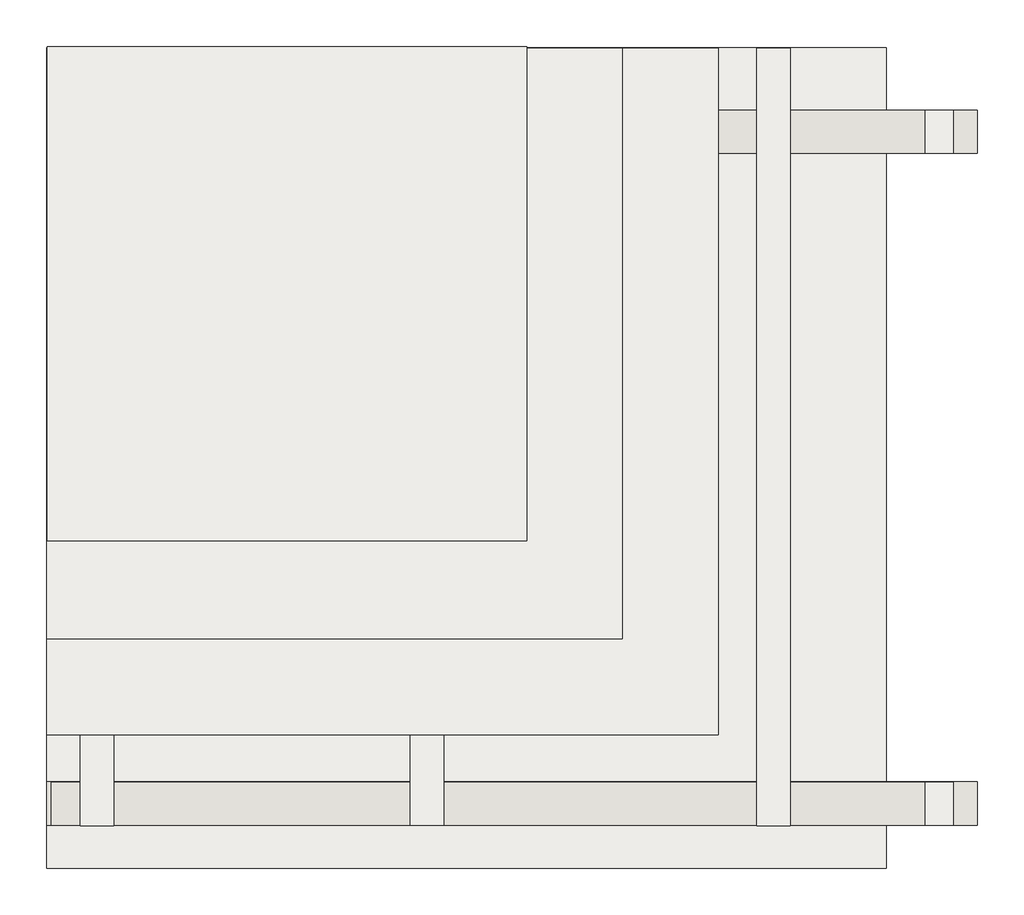
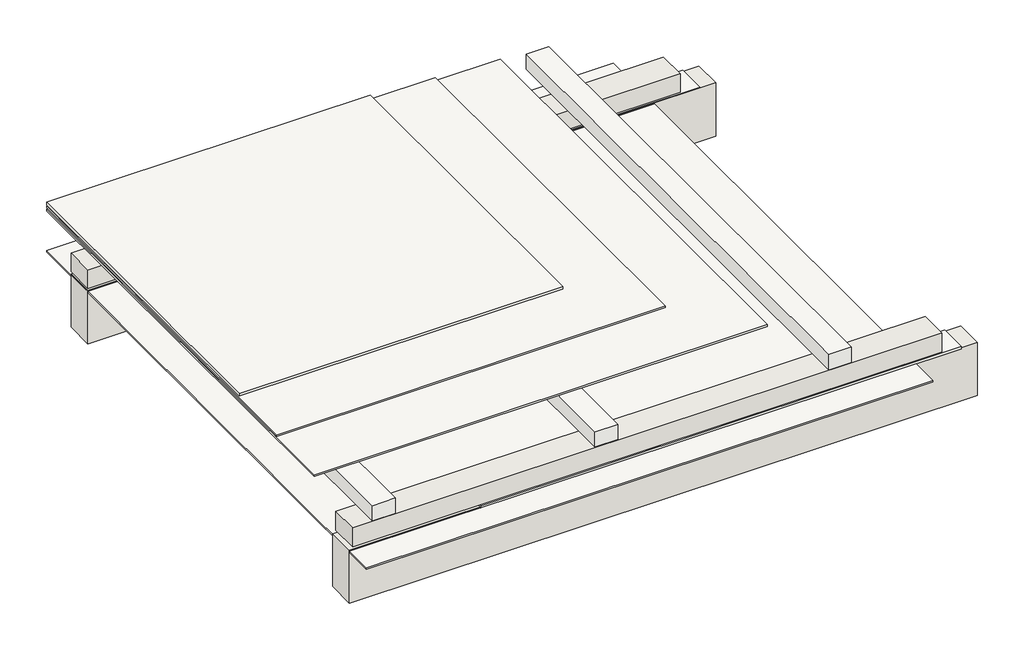
# One storey: 6 slabs, 4 walls, 3 coverings.
"""IFC4 building model written with IfcOpenShell, lengths in millimetres."""

import ifcopenshell
import ifcopenshell.guid

model = None  # the IFC model being written
_history = None  # IfcOwnerHistory: only IFC2X3 demands one
_inside = {}  # id of a spatial element -> (the spatial element, [elements in it])
_under = {}  # id of a project, library or spatial element -> (it, [spatial elements below it])
_declared = {}  # id of a project -> (the project, [libraries it declares])
_typed = {}  # id of a type object -> (the type object, [elements of that type])
_made_of = {}  # id of a material, layer set ... -> (it, [elements and type objects made of it])


def new_model(schema):
    """Start an empty IFC model of exactly this schema.

    Asked for "IFC4X3", IfcOpenShell would pick the latest addendum, in which some entities
    have other attributes; the version numbers below select the first issue.
    IFC2X3 requires an IfcOwnerHistory on every rooted entity: one is made here for all.
    """
    global model, _history
    if schema == "IFC4X3":
        model = ifcopenshell.file(schema_version=(4, 3, 0, 0))
    else:
        model = ifcopenshell.file(schema=schema)
    _inside.clear()
    _under.clear()
    _declared.clear()
    _typed.clear()
    _made_of.clear()
    _history = None
    if model.schema == "IFC2X3":
        org = make("IfcOrganization", Name="unknown")
        user = make(
            "IfcPersonAndOrganization",
            ThePerson=make("IfcPerson", FamilyName="unknown"),
            TheOrganization=org,
        )
        app = make(
            "IfcApplication",
            ApplicationDeveloper=org,
            Version="unknown",
            ApplicationFullName="unknown",
            ApplicationIdentifier="unknown",
        )
        _history = make(
            "IfcOwnerHistory",
            OwningUser=user,
            OwningApplication=app,
            ChangeAction="ADDED",
            CreationDate=0,
        )
    return model


def make(cls, **values):
    """One entity of the class cls with the attributes given. An attribute that is None is left unset."""
    return model.create_entity(
        cls, **{name: value for name, value in values.items() if value is not None}
    )


def rooted(cls, **values):
    """An entity with a GlobalId (a new one), such as an element, a storey or a relation."""
    return make(cls, GlobalId=ifcopenshell.guid.new(), OwnerHistory=_history, **values)


def si_unit(unit_type, name, prefix=None):
    """IfcSIUnit, for example si_unit("LENGTHUNIT", "METRE", prefix="MILLI")."""
    return make("IfcSIUnit", UnitType=unit_type, Prefix=prefix, Name=name)


def assignment(units):
    """IfcUnitAssignment: the units of a project."""
    return None if units is None else make("IfcUnitAssignment", Units=units)


def point(xyz):
    """IfcCartesianPoint."""
    return None if xyz is None else make("IfcCartesianPoint", Coordinates=xyz)


def direction(xyz):
    """IfcDirection."""
    return None if xyz is None else make("IfcDirection", DirectionRatios=xyz)


def frame(location, z_axis=None, x_axis=None):
    """IfcAxis2Placement3D, a coordinate frame: its origin and axes. An axis left out is left unset."""
    return make(
        "IfcAxis2Placement3D",
        Location=point(location),
        Axis=direction(z_axis),
        RefDirection=direction(x_axis),
    )


def origin():
    """The frame at (0, 0, 0) with its axes left unset."""
    return frame((0.0, 0.0, 0.0))


def place(relative_to, where):
    """IfcLocalPlacement: puts the frame where relative to a parent placement (None: the world)."""
    return make(
        "IfcLocalPlacement", PlacementRelTo=relative_to, RelativePlacement=where
    )


def context(
    kind, dimensions, precision=None, world=None, true_north=None, identifier=None
):
    """IfcGeometricRepresentationContext, for example the 3D "Model" context."""
    return make(
        "IfcGeometricRepresentationContext",
        ContextIdentifier=identifier,
        ContextType=kind,
        CoordinateSpaceDimension=dimensions,
        Precision=precision,
        WorldCoordinateSystem=world,
        TrueNorth=true_north,
    )


def project(units=None, contexts=None):
    """IfcProject with its units and contexts."""
    return rooted(
        "IfcProject",
        Name="project",
        RepresentationContexts=contexts,
        UnitsInContext=assignment(units),
    )


def spatial(cls, under=None, at=None, **own):
    """A site, building, storey or space (cls), placed at a placement, below another one or the project."""
    s = rooted(cls, ObjectPlacement=at, **own)
    if under is not None:
        _under.setdefault(under.id(), (under, []))[1].append(s)
    return s


def polyline(points):
    """IfcPolyline through the points."""
    return make("IfcPolyline", Points=[point(p) for p in points])


def outline(outer, holes=None, kind="AREA"):
    """IfcArbitraryClosedProfileDef: a profile drawn as a closed curve; with holes, ...WithVoids."""
    if holes is None:
        return make("IfcArbitraryClosedProfileDef", ProfileType=kind, OuterCurve=outer)
    return make(
        "IfcArbitraryProfileDefWithVoids",
        ProfileType=kind,
        OuterCurve=outer,
        InnerCurves=holes,
    )


def extrude(swept, where, along, depth):
    """IfcExtrudedAreaSolid: the profile swept, set in the frame where, extruded along a direction by depth."""
    return make(
        "IfcExtrudedAreaSolid",
        SweptArea=swept,
        Position=where,
        ExtrudedDirection=direction(along),
        Depth=depth,
    )


def shape(context_of_items, identifier, shape_type, items):
    """IfcShapeRepresentation: the items that make up one representation, for example the "Body"."""
    return make(
        "IfcShapeRepresentation",
        ContextOfItems=context_of_items,
        RepresentationIdentifier=identifier,
        RepresentationType=shape_type,
        Items=items,
    )


def made_of(thing, what):
    """Note that an element or type object is made of a material, layer set ...; save() writes the relation."""
    if what is not None:
        _made_of.setdefault(what.id(), (what, []))[1].append(thing)
    return thing


def element(
    cls,
    number,
    at=None,
    inside=None,
    cuts=None,
    type_object=None,
    material=None,
    context=None,
    identifier="Body",
    shape_type=None,
    held_by="IfcProductDefinitionShape",
    body=None,
    shapes=None,
    **own,
):
    """One element of the class cls, such as IfcWall. Its Tag is "e" and its number.

    at: its placement. inside: the storey or other place that contains it. cuts: it is an
    opening in that element (IfcRelVoidsElement). A single representation is given by context,
    identifier, shape_type and body (its items); several are given by shapes. held_by: the class
    of the entity that holds the representations. save() writes the other relations.
    """
    e = rooted(cls, Tag="e%d" % number, ObjectPlacement=at, **own)
    if body is not None:
        shapes = [shape(context, identifier, shape_type, body)]
    if shapes is not None:
        e.Representation = make(held_by, Representations=shapes)
    if inside is not None:
        _inside.setdefault(inside.id(), (inside, []))[1].append(e)
    if cuts is not None:
        rooted(
            "IfcRelVoidsElement", RelatingBuildingElement=cuts, RelatedOpeningElement=e
        )
    if type_object is not None:
        _typed.setdefault(type_object.id(), (type_object, []))[1].append(e)
    return made_of(e, material)


def aggregate(whole, parts):
    """IfcRelAggregates: a whole, such as a stair, and the parts it consists of."""
    return rooted("IfcRelAggregates", RelatingObject=whole, RelatedObjects=parts)


def save(model, path):
    """Write the relations noted so far, then the file.

    IfcRelAggregates (storeys below a building ...), IfcRelContainedInSpatialStructure (elements
    in a storey), IfcRelDefinesByType, IfcRelAssociatesMaterial and IfcRelDeclares: one each for
    every whole, place, type object, material and project.
    """
    for whole, parts in _under.values():
        aggregate(whole, parts)
    for where, things in _inside.values():
        rooted(
            "IfcRelContainedInSpatialStructure",
            RelatedElements=things,
            RelatingStructure=where,
        )
    for kind, things in _typed.values():
        rooted("IfcRelDefinesByType", RelatedObjects=things, RelatingType=kind)
    for what, things in _made_of.values():
        rooted("IfcRelAssociatesMaterial", RelatedObjects=things, RelatingMaterial=what)
    for by, libraries in _declared.values():
        rooted("IfcRelDeclares", RelatingContext=by, RelatedDefinitions=libraries)
    model.write(path)


model = new_model("IFC4")

# Units and contexts
model_context = context("Model", 3, world=origin())
ifc_project = project(units=[si_unit("LENGTHUNIT", "METRE", prefix="MILLI")], contexts=[model_context])

# Site, building, storey
site = spatial("IfcSite", under=ifc_project)
building = spatial("IfcBuilding", under=site)
storey = spatial("IfcBuildingStorey", under=building, Elevation=0.0)

# Coverings
placement = place(None, origin())
element("IfcCovering", 1, at=placement, inside=storey, context=model_context, shape_type="SweptSolid", body=[
    extrude(outline(polyline([(-21440.8857338, 4109.7584535), (-21440.8857338, 4289.7584535), (-18469.8292472, 4289.7584535), (-18469.8292472, 4109.7584535), (-21440.8857338, 4109.7584535)])), frame((0.0, 0.0, 679.0594732), z_axis=(0.0, 0.0, 1.0), x_axis=(1.0, 0.0, 0.0)), (0.0, 0.0, 1.0), 15.0),
])
element("IfcCovering", 2, at=placement, inside=storey, context=model_context, shape_type="SweptSolid", body=[
    extrude(outline(polyline([(-21440.8857338, 6910.9426975), (-21440.8857338, 7090.9426975), (-18469.8292472, 7090.9426975), (-18469.8292472, 6910.9426975), (-21440.8857338, 6910.9426975)])), frame((0.0, 0.0, 677.0970148), z_axis=(0.0, 0.0, 1.0), x_axis=(1.0, 0.0, 0.0)), (0.0, 0.0, 1.0), 15.0),
])
element("IfcCovering", 3, at=placement, inside=storey, context=model_context, shape_type="SweptSolid", body=[
    extrude(outline(polyline([(-22247.6397091, 5295.5255485), (-22247.6397091, 7356.3295271), (-20247.6397091, 7356.3295271), (-20247.6397091, 5295.5255485), (-22247.6397091, 5295.5255485)])), frame((0.0, 0.0, 975.0), z_axis=(0.0, 0.0, 1.0), x_axis=(1.0, 0.0, 0.0)), (0.0, 0.0, 1.0), 17.0),
])

# Slabs
element("IfcSlab", 4, at=placement, inside=storey, context=model_context, shape_type="SweptSolid", body=[
    extrude(outline(polyline([(-18749.8292472, 7351.2752953), (-18749.8292472, 3931.2752953), (-22249.5236019, 3931.2752953), (-22249.5236019, 7351.2752953), (-18749.8292472, 7351.2752953)])), frame((0.0, 0.0, 670.0), z_axis=(0.0, 0.0, 1.0), x_axis=(1.0, 0.0, 0.0)), (0.0, 0.0, 1.0), 10.0),
])
element("IfcSlab", 5, at=placement, inside=storey, context=model_context, shape_type="SweptSolid", body=[
    extrude(outline(polyline([(-19149.5236019, 7348.6421425), (-19149.5236019, 4108.6421425), (-19289.5236019, 4108.6421425), (-19289.5236019, 7348.6421425), (-19149.5236019, 7348.6421425)])), frame((0.0, 0.0, 830.0), z_axis=(0.0, 0.0, 1.0), x_axis=(1.0, 0.0, 0.0)), (0.0, 0.0, 1.0), 100.0),
])
element("IfcSlab", 6, at=placement, inside=storey, context=model_context, shape_type="SweptSolid", body=[
    extrude(outline(polyline([(-19449.5236019, 7349.6288716), (-19449.5236019, 4488.3749893), (-22249.5236019, 4488.3749893), (-22249.5236019, 7349.6288716), (-19449.5236019, 7349.6288716)])), frame((0.0, 0.0, 940.0), z_axis=(0.0, 0.0, 1.0), x_axis=(1.0, 0.0, 0.0)), (0.0, 0.0, 1.0), 11.0),
])
element("IfcSlab", 7, at=placement, inside=storey, context=model_context, shape_type="SweptSolid", body=[
    extrude(outline(polyline([(-19849.5236019, 7349.9159853), (-19849.5236019, 4887.4082207), (-22249.5236019, 4887.4082207), (-22249.5236019, 7349.9159853), (-19849.5236019, 7349.9159853)])), frame((0.0, 0.0, 960.0), z_axis=(0.0, 0.0, 1.0), x_axis=(1.0, 0.0, 0.0)), (0.0, 0.0, 1.0), 10.0),
])
element("IfcSlab", 8, at=placement, inside=storey, context=model_context, shape_type="SweptSolid", body=[
    extrude(outline(polyline([(-20594.3604584, 7349.9417278), (-20594.3604584, 4109.9417278), (-20734.3604584, 4109.9417278), (-20734.3604584, 7349.9417278), (-20594.3604584, 7349.9417278)])), frame((0.0, 0.0, 830.0), z_axis=(0.0, 0.0, 1.0), x_axis=(1.0, 0.0, 0.0)), (0.0, 0.0, 1.0), 100.0),
])
element("IfcSlab", 9, at=placement, inside=storey, context=model_context, shape_type="SweptSolid", body=[
    extrude(outline(polyline([(-21969.5236019, 7348.6421425), (-21969.5236019, 4108.6421425), (-22109.5236019, 4108.6421425), (-22109.5236019, 7348.6421425), (-21969.5236019, 7348.6421425)])), frame((0.0, 0.0, 830.0), z_axis=(0.0, 0.0, 1.0), x_axis=(1.0, 0.0, 0.0)), (0.0, 0.0, 1.0), 100.0),
])

# Walls
element("IfcWall", 10, at=placement, inside=storey, context=model_context, shape_type="SweptSolid", body=[
    extrude(outline(polyline([(-22249.8292472, 4291.2752953), (-18369.8292472, 4291.2752953), (-18369.8292472, 4111.2752953), (-22249.8292472, 4111.2752953), (-22249.8292472, 4291.2752953)])), frame((0.0, 0.0, 339.3729237), z_axis=(0.0, 0.0, 1.0), x_axis=(1.0, 0.0, 0.0)), (0.0, 0.0, 1.0), 345.6270763),
])
element("IfcWall", 11, at=placement, inside=storey, context=model_context, shape_type="SweptSolid", body=[
    extrude(outline(polyline([(-22249.5236019, 7091.2752953), (-18369.8292472, 7091.2752953), (-18369.8292472, 6911.2752953), (-22249.5236019, 6911.2752953), (-22249.5236019, 7091.2752953)])), frame((0.0, 0.0, 336.7710817), z_axis=(0.0, 0.0, 1.0), x_axis=(1.0, 0.0, 0.0)), (0.0, 0.0, 1.0), 348.2289183),
])
element("IfcWall", 12, at=placement, inside=storey, context=model_context, shape_type="SweptSolid", body=[
    extrude(outline(polyline([(-22249.5236019, 7091.2752953), (-18589.8292472, 7091.2752953), (-18589.8292472, 6911.2752953), (-22249.5236019, 6911.2752953), (-22249.5236019, 7091.2752953)])), frame((0.0, 0.0, 700.0), z_axis=(0.0, 0.0, 1.0), x_axis=(1.0, 0.0, 0.0)), (0.0, 0.0, 1.0), 120.0),
])
element("IfcWall", 13, at=placement, inside=storey, context=model_context, shape_type="SweptSolid", body=[
    extrude(outline(polyline([(-22229.8292472, 4290.4713167), (-18589.8292472, 4290.4713167), (-18589.8292472, 4110.4713167), (-22229.8292472, 4110.4713167), (-22229.8292472, 4290.4713167)])), frame((0.0, 0.0, 700.0), z_axis=(0.0, 0.0, 1.0), x_axis=(1.0, 0.0, 0.0)), (0.0, 0.0, 1.0), 125.0),
])

save(model, "model.ifc")
